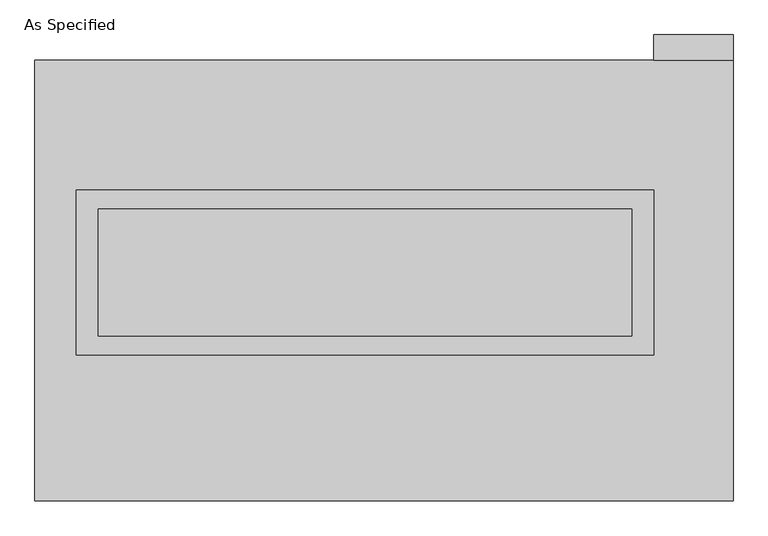
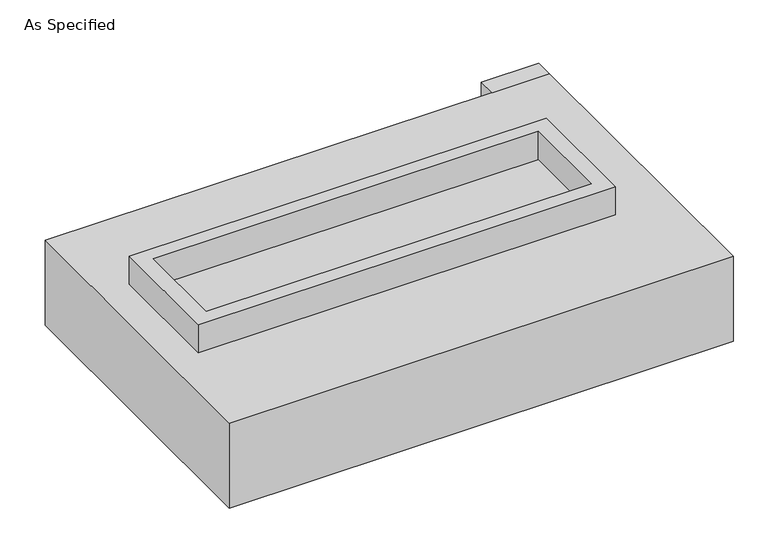
"""IFC4 building model written with IfcOpenShell, lengths in millimetres: proxy geometry, As Specified."""

from ifc_helpers import new_model, si_unit, frame, origin, place, context, project, spatial, polyline, outline, extrude, faceted_brep, source, transform, mapped, element, save


def as_specified_ed21a7a2(model_context):
    return source(origin(), model_context, "Body", "SolidModel", [
        extrude(outline(polyline([(1155.7, 361.95), (1155.7, -298.45), (-1155.7, -298.45), (-1155.7, 361.95), (1155.7, 361.95)]), holes=[polyline([(1066.8, 285.75), (-1066.8, 285.75), (-1066.8, -222.25), (1066.8, -222.25), (1066.8, 285.75)])]), frame((0.0, 0.0, -25.4), z_axis=(0.0, 0.0, 1.0), x_axis=(1.0, 0.0, 0.0)), (0.0, 0.0, 1.0), 165.1),
        extrude(outline(polyline([(1155.7, 882.65), (1155.7, 984.25), (1473.2, 984.25), (1473.2, 882.65), (1155.7, 882.65)])), frame((0.0, 0.0, -523.875), z_axis=(0.0, 0.0, 1.0), x_axis=(1.0, 0.0, 0.0)), (0.0, 0.0, 1.0), 498.475),
        extrude(outline(polyline([(1066.8, 285.75), (1066.8, -222.25), (-1066.8, -222.25), (-1066.8, 285.75), (1066.8, 285.75)])), frame((0.0, 0.0, -30.3609375), z_axis=(0.0, 0.0, 1.0), x_axis=(1.0, 0.0, 0.0)), (0.0, 0.0, 1.0), 4.9609375),
        faceted_brep([(1473.2, -882.65, -523.875), (-1320.8, -882.65, -523.875), (-1320.8, 882.65, -523.875), (1473.2, 882.65, -523.875), (1473.2, 882.65, -25.4), (-1320.8, 882.65, -25.4), (-1320.8, -882.65, -25.4), (1473.2, -882.65, -25.4), (1155.7, 361.95, -25.4), (1155.7, -298.45, -25.4), (-1155.7, -298.45, -25.4), (-1155.7, 361.95, -25.4), (1155.7, 361.95, -498.475), (-1155.7, 361.95, -498.475), (-1155.7, -298.45, -498.475), (1155.7, -298.45, -498.475)], [[[0, 1, 2, 3]], [[4, 5, 6, 7], [8, 9, 10, 11]], [[3, 2, 5, 4]], [[2, 1, 6, 5]], [[0, 3, 4, 7]], [[12, 13, 14, 15]], [[14, 13, 11, 10]], [[13, 12, 8, 11]], [[12, 15, 9, 8]], [[10, 9, 15, 14]], [[1, 0, 7, 6]]]),
    ])


if __name__ == "__main__":
    model = new_model("IFC4")
    model_context = context("Model", 3, world=origin())
    ifc_project = project(units=[si_unit("LENGTHUNIT", "METRE", prefix="MILLI")], contexts=[model_context])
    site = spatial("IfcSite", under=ifc_project)
    building = spatial("IfcBuilding", under=site)
    placement = place(None, origin())
    as_specified_shape = as_specified_ed21a7a2(model_context)
    element("IfcBuildingElementProxy", 1, Name="As Specified", ObjectType="As Specified", at=placement, inside=building, context=model_context, shape_type="MappedRepresentation", body=[
        mapped(as_specified_shape, transform((0.0, 0.0, 0.0), x_axis=(1.0, 0.0, 0.0), y_axis=(0.0, 1.0, 0.0), z_axis=(0.0, 0.0, 1.0))),
    ])
    save(model, "model.ifc")
